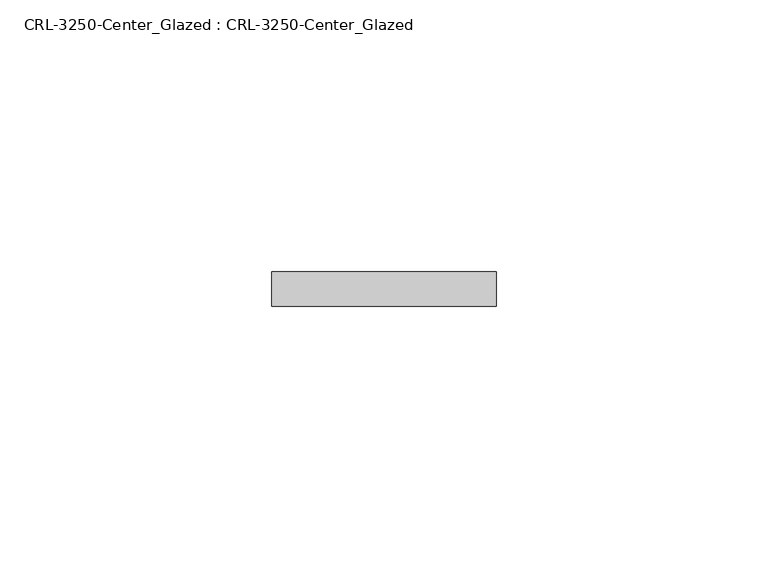
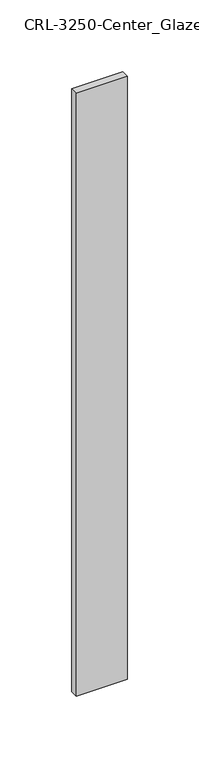
"""IFC4 building model written with IfcOpenShell, lengths in millimetres: plate geometry, CRL-3250-Center_Glazed : CRL-3250-Center_Glazed."""

from ifc_helpers import new_model, si_unit, origin, origin_with_axes, place, context, project, spatial, polyline, outline, extrude, source, transform, mapped, element, save


def crl_3250_center_glazed_crl_3250_center_glazed_69218908(model_context):
    return source(origin(), model_context, "Body", "SweptSolid", [
        extrude(outline(polyline([(20.6384305, -3.1749999), (-20.6384305, -3.1749999), (-20.6384305, 3.1749999), (20.6384305, 3.1749999), (20.6384305, -3.1749999)])), origin_with_axes(), (0.0, 0.0, 1.0), 514.350003),
    ])


if __name__ == "__main__":
    model = new_model("IFC4")
    model_context = context("Model", 3, world=origin())
    ifc_project = project(units=[si_unit("LENGTHUNIT", "METRE", prefix="MILLI")], contexts=[model_context])
    site = spatial("IfcSite", under=ifc_project)
    building = spatial("IfcBuilding", under=site)
    placement = place(None, origin())
    crl_3250_center_glazed_crl_3250_center_glazed_shape = crl_3250_center_glazed_crl_3250_center_glazed_69218908(model_context)
    element("IfcPlate", 1, ObjectType="CRL-3250-Center_Glazed : CRL-3250-Center_Glazed", at=placement, inside=building, context=model_context, shape_type="MappedRepresentation", body=[
        mapped(crl_3250_center_glazed_crl_3250_center_glazed_shape, transform((0.0, 0.0, 0.0), x_axis=(1.0, 0.0, 0.0), y_axis=(0.0, 1.0, 0.0), z_axis=(0.0, 0.0, 1.0))),
    ])
    save(model, "model.ifc")
